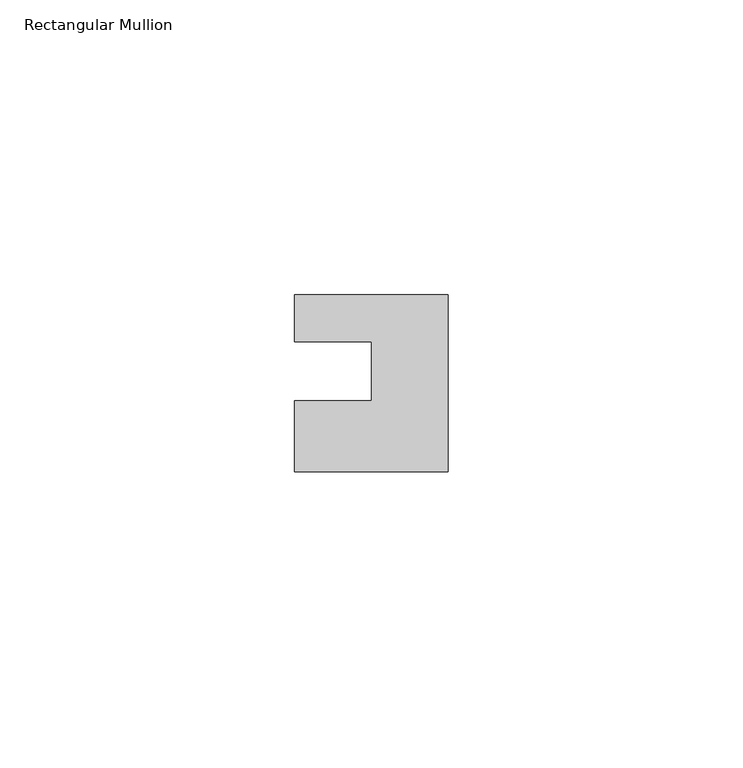
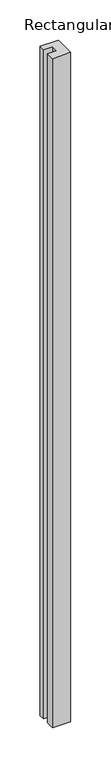
"""IFC4 building model written with IfcOpenShell, lengths in millimetres: member geometry, Rectangular Mullion."""

from ifc_helpers import new_model, si_unit, frame, origin, place, context, project, spatial, polyline, outline, extrude, source, transform, mapped, element, save


def rectangular_mullion_e4a9e3d2(model_context):
    return source(origin(), model_context, "Body", "SweptSolid", [
        extrude(outline(polyline([(-26.0, 0.001), (-26.0, 7.94), (0.0, 7.94), (0.0, -22.06), (-26.0, -22.06), (-26.0, -10.0), (-13.0, -10.0), (-13.0, 0.001), (-26.0, 0.001)])), frame((0.0, 0.0, -1010.0), z_axis=(0.0, 0.0, 1.0), x_axis=(1.0, 0.0, 0.0)), (0.0, 0.0, 1.0), 1010.0),
    ])


if __name__ == "__main__":
    model = new_model("IFC4")
    model_context = context("Model", 3, world=origin())
    ifc_project = project(units=[si_unit("LENGTHUNIT", "METRE", prefix="MILLI")], contexts=[model_context])
    site = spatial("IfcSite", under=ifc_project)
    building = spatial("IfcBuilding", under=site)
    placement = place(None, origin())
    rectangular_mullion_shape = rectangular_mullion_e4a9e3d2(model_context)
    element("IfcMember", 1, ObjectType="Rectangular Mullion", at=placement, inside=building, context=model_context, shape_type="MappedRepresentation", body=[
        mapped(rectangular_mullion_shape, transform((0.0, 0.0, 0.0), x_axis=(1.0, 0.0, 0.0), y_axis=(0.0, 1.0, 0.0), z_axis=(0.0, 0.0, 1.0))),
    ])
    save(model, "model.ifc")
